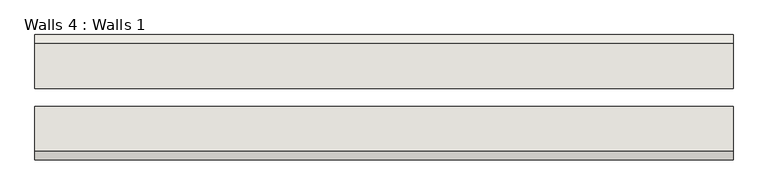
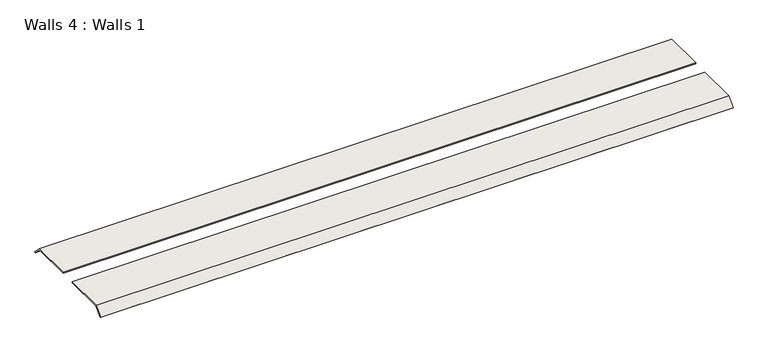
"""IFC4 building model written with IfcOpenShell, lengths in millimetres: wall geometry, Walls 4 : Walls 1."""

from ifc_helpers import new_model, si_unit, frame, origin, place, context, project, spatial, polyline, outline, extrude, source, transform, mapped, element, save


def walls_4_walls_1_0e9871f1(model_context):
    return source(origin(), model_context, "Body", "SweptSolid", [
        extrude(outline(polyline([(2525.2125696, 152.4), (2500.8119082, 127.9993386), (2498.5668441, 130.2444026), (2523.8974415, 155.575), (2655.3875696, 155.575), (2655.3875696, 152.4), (2525.2125696, 152.4)])), frame((-951.7491178, 0.0, 0.0), z_axis=(1.0, 0.0, 0.0), x_axis=(0.0, 1.0, 0.0)), (0.0, 0.0, 1.0), 2032.0),
        extrude(outline(polyline([(2837.2586331, 152.4), (2707.0836331, 152.4), (2707.0836331, 155.575), (2838.5737612, 155.575), (2863.9043586, 130.2444026), (2861.6592945, 127.9993386), (2837.2586331, 152.4)])), frame((-951.7491178, 0.0, 0.0), z_axis=(1.0, 0.0, 0.0), x_axis=(0.0, 1.0, 0.0)), (0.0, 0.0, 1.0), 2032.0),
    ])


if __name__ == "__main__":
    model = new_model("IFC4")
    model_context = context("Model", 3, world=origin())
    ifc_project = project(units=[si_unit("LENGTHUNIT", "METRE", prefix="MILLI")], contexts=[model_context])
    site = spatial("IfcSite", under=ifc_project)
    building = spatial("IfcBuilding", under=site)
    placement = place(None, origin())
    walls_4_walls_1_shape = walls_4_walls_1_0e9871f1(model_context)
    element("IfcWall", 1, ObjectType="Walls 4 : Walls 1", at=placement, inside=building, context=model_context, shape_type="MappedRepresentation", body=[
        mapped(walls_4_walls_1_shape, transform((0.0, 0.0, 0.0), x_axis=(1.0, 0.0, 0.0), y_axis=(0.0, 1.0, 0.0), z_axis=(0.0, 0.0, 1.0))),
    ])
    save(model, "model.ifc")
